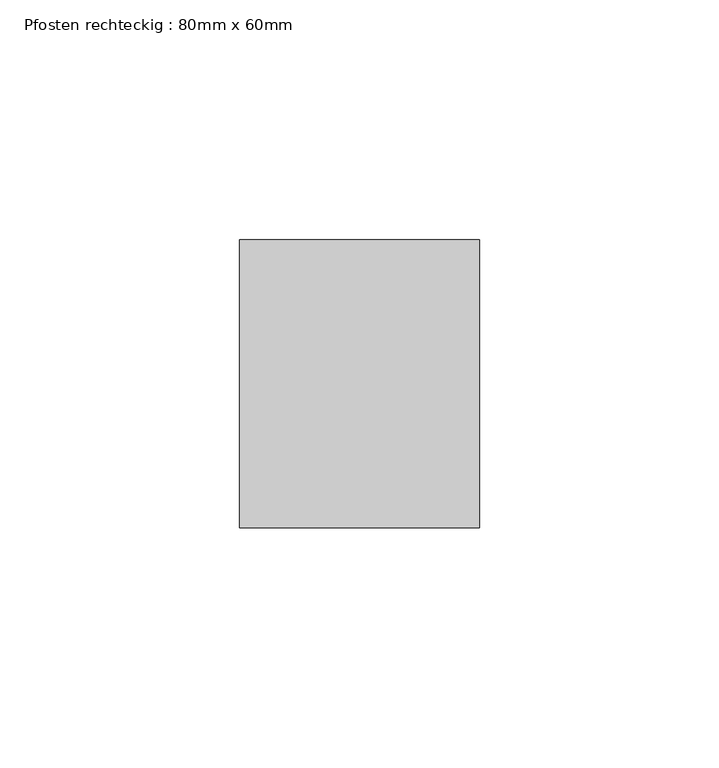
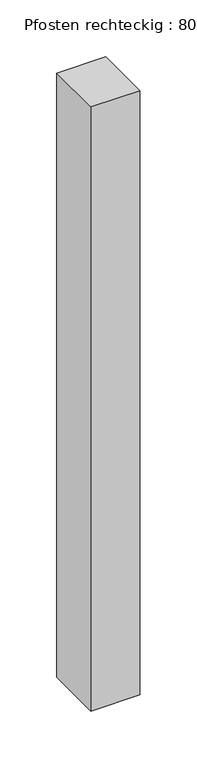
"""IFC4 building model written with IfcOpenShell, lengths in millimetres: member geometry, Pfosten rechteckig : 80mm x 60mm."""

from ifc_helpers import new_model, si_unit, frame, origin, place, context, project, spatial, polyline, outline, extrude, source, transform, mapped, element, save


def pfosten_rechteckig_80mm_x_60mm_be94d4ad(model_context):
    return source(origin(), model_context, "Body", "SweptSolid", [
        extrude(outline(polyline([(0.0, 30.0), (0.0, -30.0), (-50.0, -30.0), (-50.0, 30.0), (0.0, 30.0)])), frame((0.0, 0.0, -650.0), z_axis=(0.0, 0.0, 1.0), x_axis=(1.0, 0.0, 0.0)), (0.0, 0.0, 1.0), 650.0),
    ])


if __name__ == "__main__":
    model = new_model("IFC4")
    model_context = context("Model", 3, world=origin())
    ifc_project = project(units=[si_unit("LENGTHUNIT", "METRE", prefix="MILLI")], contexts=[model_context])
    site = spatial("IfcSite", under=ifc_project)
    building = spatial("IfcBuilding", under=site)
    placement = place(None, origin())
    pfosten_rechteckig_80mm_x_60mm_shape = pfosten_rechteckig_80mm_x_60mm_be94d4ad(model_context)
    element("IfcMember", 1, ObjectType="Pfosten rechteckig : 80mm x 60mm", at=placement, inside=building, context=model_context, shape_type="MappedRepresentation", body=[
        mapped(pfosten_rechteckig_80mm_x_60mm_shape, transform((0.0, 0.0, 0.0), x_axis=(1.0, 0.0, 0.0), y_axis=(0.0, 1.0, 0.0), z_axis=(0.0, 0.0, 1.0))),
    ])
    save(model, "model.ifc")
